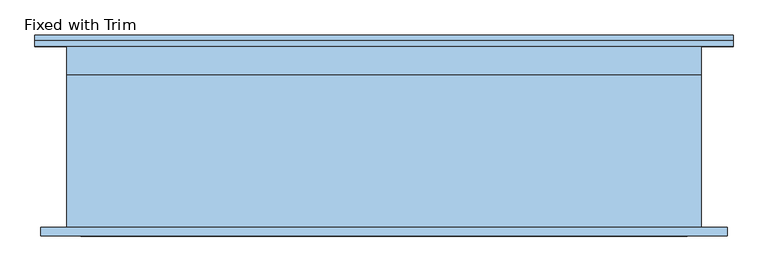
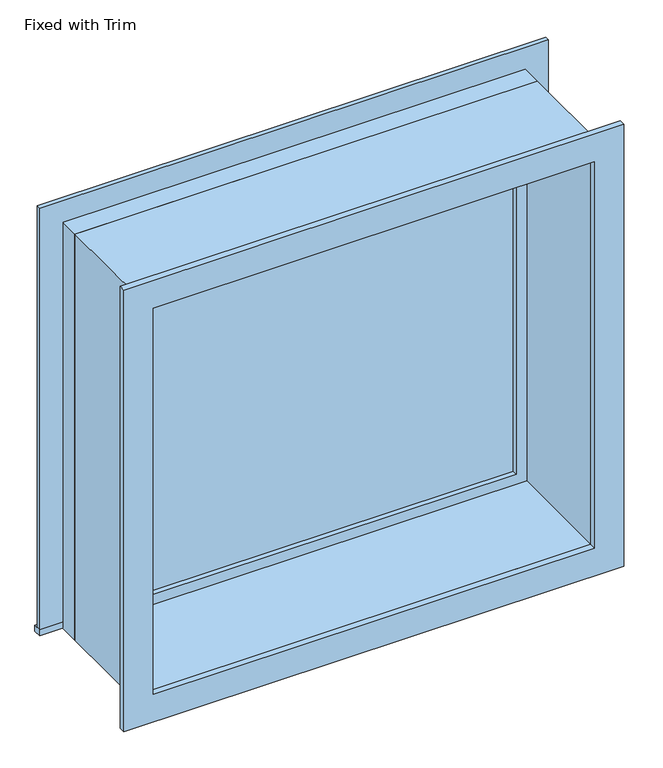
"""IFC4 building model written with IfcOpenShell, lengths in millimetres: window geometry, Fixed with Trim."""

from ifc_helpers import new_model, si_unit, frame, origin, place, context, project, spatial, polyline, outline, extrude, source, transform, mapped, element, save


def fixed_with_trim_165c4efd(model_context):
    return source(origin(), model_context, "Body", "SweptSolid", [
        extrude(outline(polyline([(-807.95, 225.4), (731.75, 225.4), (731.75, 200.0), (-807.95, 200.0), (-807.95, 225.4)])), frame((0.0, 0.0, 914.4), z_axis=(0.0, 0.0, 1.0), x_axis=(1.0, 0.0, 0.0)), (0.0, 0.0, 1.0), 19.05),
        extrude(outline(polyline([(2195.35, -719.05), (2195.35, 642.85), (933.45, 642.85), (933.45, 731.75), (2284.25, 731.75), (2284.25, -807.95), (933.45, -807.95), (933.45, -719.05), (2195.35, -719.05)])), frame((0.0, 200.0, 0.0), z_axis=(0.0, 1.0, 0.0), x_axis=(0.0, 0.0, 1.0)), (0.0, 0.0, 1.0), 12.7),
        extrude(outline(polyline([(2271.55, 719.05), (2271.55, -795.25), (857.25, -795.25), (857.25, 719.05), (2271.55, 719.05)]), holes=[polyline([(2182.65, 630.15), (946.15, 630.15), (946.15, -706.35), (2182.65, -706.35), (2182.65, 630.15)])]), frame((0.0, -219.05, 0.0), z_axis=(0.0, 1.0, 0.0), x_axis=(0.0, 0.0, 1.0)), (0.0, 0.0, 1.0), 19.05),
        extrude(outline(polyline([(598.4, 152.375), (-674.6, 152.375), (-674.6, 165.075), (598.4, 165.075), (598.4, 152.375)])), frame((0.0, 0.0, 977.9), z_axis=(0.0, 0.0, 1.0), x_axis=(1.0, 0.0, 0.0)), (0.0, 0.0, 1.0), 1173.0),
        extrude(outline(polyline([(2195.35, -719.05), (933.45, -719.05), (933.45, 642.85), (2195.35, 642.85), (2195.35, -719.05)]), holes=[polyline([(2150.9, -674.6), (2150.9, 598.4), (977.9, 598.4), (977.9, -674.6), (2150.9, -674.6)])]), frame((0.0, 136.5, 0.0), z_axis=(0.0, 1.0, 0.0), x_axis=(0.0, 0.0, 1.0)), (0.0, 0.0, 1.0), 44.45),
        extrude(outline(polyline([(2214.4, -738.1), (914.4, -738.1), (914.4, 661.9), (2214.4, 661.9), (2214.4, -738.1)]), holes=[polyline([(2182.65, -706.35), (2182.65, 630.15), (946.15, 630.15), (946.15, -706.35), (2182.65, -706.35)])]), frame((0.0, -200.0, 0.0), z_axis=(0.0, 1.0, 0.0), x_axis=(0.0, 0.0, 1.0)), (0.0, 0.0, 1.0), 336.5),
        extrude(outline(polyline([(2214.4, 661.9), (2214.4, -738.1), (914.4, -738.1), (914.4, 661.9), (2214.4, 661.9)]), holes=[polyline([(2195.35, 642.85), (933.45, 642.85), (933.45, -719.05), (2195.35, -719.05), (2195.35, 642.85)])]), frame((0.0, 136.5, 0.0), z_axis=(0.0, 1.0, 0.0), x_axis=(0.0, 0.0, 1.0)), (0.0, 0.0, 1.0), 63.5),
    ])


if __name__ == "__main__":
    model = new_model("IFC4")
    model_context = context("Model", 3, world=origin())
    ifc_project = project(units=[si_unit("LENGTHUNIT", "METRE", prefix="MILLI")], contexts=[model_context])
    site = spatial("IfcSite", under=ifc_project)
    building = spatial("IfcBuilding", under=site)
    placement = place(None, origin())
    fixed_with_trim_shape = fixed_with_trim_165c4efd(model_context)
    element("IfcWindow", 1, ObjectType="Fixed with Trim", at=placement, inside=building, context=model_context, shape_type="MappedRepresentation", body=[
        mapped(fixed_with_trim_shape, transform((0.0, 0.0, 0.0), x_axis=(1.0, 0.0, 0.0), y_axis=(0.0, 1.0, 0.0), z_axis=(0.0, 0.0, 1.0))),
    ])
    save(model, "model.ifc")
